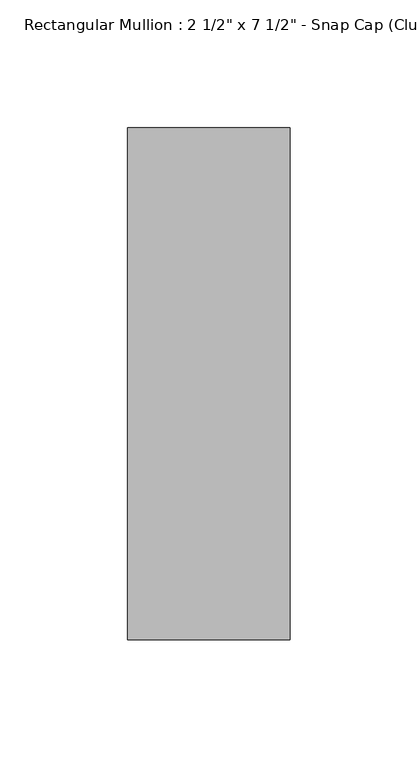
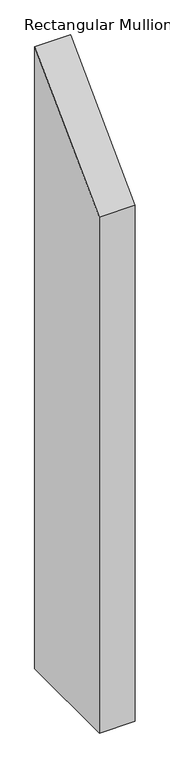
"""IFC4 building model written with IfcOpenShell, lengths in millimetres: member geometry."""

from ifc_helpers import new_model, si_unit, frame, origin, place, context, project, spatial, polyline, outline, extrude, source, transform, mapped, element, save


def member_307d412c(model_context):
    return source(origin(), model_context, "Body", "SweptSolid", [
        extrude(outline(polyline([(-174.2, -174.2), (25.8, 25.8), (25.8, -1147.6), (-174.2, -1147.6), (-174.2, -174.2)])), frame((-63.5, 0.0, 0.0), z_axis=(1.0, 0.0, 0.0), x_axis=(0.0, 1.0, 0.0)), (0.0, 0.0, 1.0), 63.5),
    ])


if __name__ == "__main__":
    model = new_model("IFC4")
    model_context = context("Model", 3, world=origin())
    ifc_project = project(units=[si_unit("LENGTHUNIT", "METRE", prefix="MILLI")], contexts=[model_context])
    site = spatial("IfcSite", under=ifc_project)
    building = spatial("IfcBuilding", under=site)
    placement = place(None, origin())
    member_shape = member_307d412c(model_context)
    element("IfcMember", 1, ObjectType="Rectangular Mullion : 2 1/2\" x 7 1/2\" - Snap Cap (Club)", at=placement, inside=building, context=model_context, shape_type="MappedRepresentation", body=[
        mapped(member_shape, transform((0.0, 0.0, 0.0), x_axis=(1.0, 0.0, 0.0), y_axis=(0.0, 1.0, 0.0), z_axis=(0.0, 0.0, 1.0))),
    ])
    save(model, "model.ifc")
